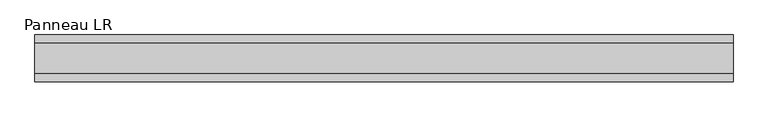
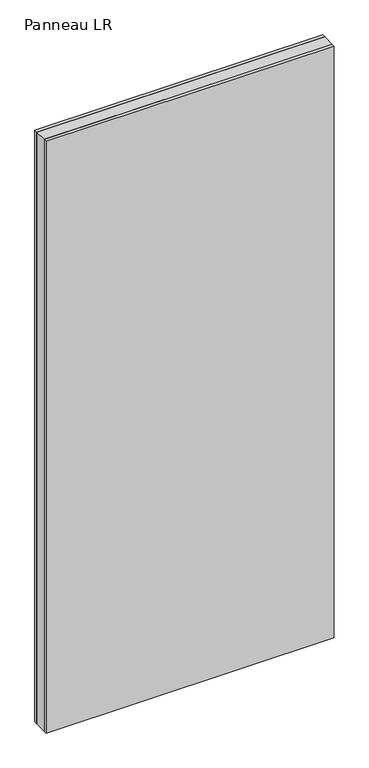
"""IFC4 building model written with IfcOpenShell, lengths in millimetres: plate geometry, Panneau LR."""

import ifcopenshell
import ifcopenshell.guid

model = None  # the IFC model being written
_history = None  # IfcOwnerHistory: only IFC2X3 demands one
_inside = {}  # id of a spatial element -> (the spatial element, [elements in it])
_under = {}  # id of a project, library or spatial element -> (it, [spatial elements below it])
_declared = {}  # id of a project -> (the project, [libraries it declares])
_typed = {}  # id of a type object -> (the type object, [elements of that type])
_made_of = {}  # id of a material, layer set ... -> (it, [elements and type objects made of it])


def new_model(schema):
    """Start an empty IFC model of exactly this schema.

    Asked for "IFC4X3", IfcOpenShell would pick the latest addendum, in which some entities
    have other attributes; the version numbers below select the first issue.
    IFC2X3 requires an IfcOwnerHistory on every rooted entity: one is made here for all.
    """
    global model, _history
    if schema == "IFC4X3":
        model = ifcopenshell.file(schema_version=(4, 3, 0, 0))
    else:
        model = ifcopenshell.file(schema=schema)
    _inside.clear()
    _under.clear()
    _declared.clear()
    _typed.clear()
    _made_of.clear()
    _history = None
    if model.schema == "IFC2X3":
        org = make("IfcOrganization", Name="unknown")
        user = make(
            "IfcPersonAndOrganization",
            ThePerson=make("IfcPerson", FamilyName="unknown"),
            TheOrganization=org,
        )
        app = make(
            "IfcApplication",
            ApplicationDeveloper=org,
            Version="unknown",
            ApplicationFullName="unknown",
            ApplicationIdentifier="unknown",
        )
        _history = make(
            "IfcOwnerHistory",
            OwningUser=user,
            OwningApplication=app,
            ChangeAction="ADDED",
            CreationDate=0,
        )
    return model


def make(cls, **values):
    """One entity of the class cls with the attributes given. An attribute that is None is left unset."""
    return model.create_entity(
        cls, **{name: value for name, value in values.items() if value is not None}
    )


def rooted(cls, **values):
    """An entity with a GlobalId (a new one), such as an element, a storey or a relation."""
    return make(cls, GlobalId=ifcopenshell.guid.new(), OwnerHistory=_history, **values)


def si_unit(unit_type, name, prefix=None):
    """IfcSIUnit, for example si_unit("LENGTHUNIT", "METRE", prefix="MILLI")."""
    return make("IfcSIUnit", UnitType=unit_type, Prefix=prefix, Name=name)


def assignment(units):
    """IfcUnitAssignment: the units of a project."""
    return None if units is None else make("IfcUnitAssignment", Units=units)


def point(xyz):
    """IfcCartesianPoint."""
    return None if xyz is None else make("IfcCartesianPoint", Coordinates=xyz)


def direction(xyz):
    """IfcDirection."""
    return None if xyz is None else make("IfcDirection", DirectionRatios=xyz)


def frame(location, z_axis=None, x_axis=None):
    """IfcAxis2Placement3D, a coordinate frame: its origin and axes. An axis left out is left unset."""
    return make(
        "IfcAxis2Placement3D",
        Location=point(location),
        Axis=direction(z_axis),
        RefDirection=direction(x_axis),
    )


def origin():
    """The frame at (0, 0, 0) with its axes left unset."""
    return frame((0.0, 0.0, 0.0))


def origin_with_axes():
    """The frame at (0, 0, 0) with the z axis (0, 0, 1) and the x axis (1, 0, 0) written out."""
    return frame((0.0, 0.0, 0.0), z_axis=(0.0, 0.0, 1.0), x_axis=(1.0, 0.0, 0.0))


def place(relative_to, where):
    """IfcLocalPlacement: puts the frame where relative to a parent placement (None: the world)."""
    return make(
        "IfcLocalPlacement", PlacementRelTo=relative_to, RelativePlacement=where
    )


def context(
    kind, dimensions, precision=None, world=None, true_north=None, identifier=None
):
    """IfcGeometricRepresentationContext, for example the 3D "Model" context."""
    return make(
        "IfcGeometricRepresentationContext",
        ContextIdentifier=identifier,
        ContextType=kind,
        CoordinateSpaceDimension=dimensions,
        Precision=precision,
        WorldCoordinateSystem=world,
        TrueNorth=true_north,
    )


def project(units=None, contexts=None):
    """IfcProject with its units and contexts."""
    return rooted(
        "IfcProject",
        Name="project",
        RepresentationContexts=contexts,
        UnitsInContext=assignment(units),
    )


def spatial(cls, under=None, at=None, **own):
    """A site, building, storey or space (cls), placed at a placement, below another one or the project."""
    s = rooted(cls, ObjectPlacement=at, **own)
    if under is not None:
        _under.setdefault(under.id(), (under, []))[1].append(s)
    return s


def polyline(points):
    """IfcPolyline through the points."""
    return make("IfcPolyline", Points=[point(p) for p in points])


def outline(outer, holes=None, kind="AREA"):
    """IfcArbitraryClosedProfileDef: a profile drawn as a closed curve; with holes, ...WithVoids."""
    if holes is None:
        return make("IfcArbitraryClosedProfileDef", ProfileType=kind, OuterCurve=outer)
    return make(
        "IfcArbitraryProfileDefWithVoids",
        ProfileType=kind,
        OuterCurve=outer,
        InnerCurves=holes,
    )


def extrude(swept, where, along, depth):
    """IfcExtrudedAreaSolid: the profile swept, set in the frame where, extruded along a direction by depth."""
    return make(
        "IfcExtrudedAreaSolid",
        SweptArea=swept,
        Position=where,
        ExtrudedDirection=direction(along),
        Depth=depth,
    )


def shape(context_of_items, identifier, shape_type, items):
    """IfcShapeRepresentation: the items that make up one representation, for example the "Body"."""
    return make(
        "IfcShapeRepresentation",
        ContextOfItems=context_of_items,
        RepresentationIdentifier=identifier,
        RepresentationType=shape_type,
        Items=items,
    )


def source(mapping_origin, context_of_items, identifier, shape_type, items):
    """IfcRepresentationMap: a shape defined once, which mapped items show again and again."""
    return make(
        "IfcRepresentationMap",
        MappingOrigin=mapping_origin,
        MappedRepresentation=shape(context_of_items, identifier, shape_type, items),
    )


def transform(
    local_origin,
    x_axis=None,
    y_axis=None,
    z_axis=None,
    scale=None,
    scale2=None,
    scale3=None,
    uniform=True,
):
    """IfcCartesianTransformationOperator3D, or its non-uniform kind. x_axis, y_axis, z_axis: its Axis1, 2, 3."""
    if uniform:
        return make(
            "IfcCartesianTransformationOperator3D",
            Axis1=direction(x_axis),
            Axis2=direction(y_axis),
            LocalOrigin=point(local_origin),
            Scale=scale,
            Axis3=direction(z_axis),
        )
    return make(
        "IfcCartesianTransformationOperator3DnonUniform",
        Axis1=direction(x_axis),
        Axis2=direction(y_axis),
        LocalOrigin=point(local_origin),
        Scale=scale,
        Axis3=direction(z_axis),
        Scale2=scale2,
        Scale3=scale3,
    )


def mapped(mapping_source, mapping_target):
    """IfcMappedItem: shows the shape of a source again, moved by a transform."""
    return make(
        "IfcMappedItem", MappingSource=mapping_source, MappingTarget=mapping_target
    )


def made_of(thing, what):
    """Note that an element or type object is made of a material, layer set ...; save() writes the relation."""
    if what is not None:
        _made_of.setdefault(what.id(), (what, []))[1].append(thing)
    return thing


def element(
    cls,
    number,
    at=None,
    inside=None,
    cuts=None,
    type_object=None,
    material=None,
    context=None,
    identifier="Body",
    shape_type=None,
    held_by="IfcProductDefinitionShape",
    body=None,
    shapes=None,
    **own,
):
    """One element of the class cls, such as IfcWall. Its Tag is "e" and its number.

    at: its placement. inside: the storey or other place that contains it. cuts: it is an
    opening in that element (IfcRelVoidsElement). A single representation is given by context,
    identifier, shape_type and body (its items); several are given by shapes. held_by: the class
    of the entity that holds the representations. save() writes the other relations.
    """
    e = rooted(cls, Tag="e%d" % number, ObjectPlacement=at, **own)
    if body is not None:
        shapes = [shape(context, identifier, shape_type, body)]
    if shapes is not None:
        e.Representation = make(held_by, Representations=shapes)
    if inside is not None:
        _inside.setdefault(inside.id(), (inside, []))[1].append(e)
    if cuts is not None:
        rooted(
            "IfcRelVoidsElement", RelatingBuildingElement=cuts, RelatedOpeningElement=e
        )
    if type_object is not None:
        _typed.setdefault(type_object.id(), (type_object, []))[1].append(e)
    return made_of(e, material)


def aggregate(whole, parts):
    """IfcRelAggregates: a whole, such as a stair, and the parts it consists of."""
    return rooted("IfcRelAggregates", RelatingObject=whole, RelatedObjects=parts)


def save(model, path):
    """Write the relations noted so far, then the file.

    IfcRelAggregates (storeys below a building ...), IfcRelContainedInSpatialStructure (elements
    in a storey), IfcRelDefinesByType, IfcRelAssociatesMaterial and IfcRelDeclares: one each for
    every whole, place, type object, material and project.
    """
    for whole, parts in _under.values():
        aggregate(whole, parts)
    for where, things in _inside.values():
        rooted(
            "IfcRelContainedInSpatialStructure",
            RelatedElements=things,
            RelatingStructure=where,
        )
    for kind, things in _typed.values():
        rooted("IfcRelDefinesByType", RelatedObjects=things, RelatingType=kind)
    for what, things in _made_of.values():
        rooted("IfcRelAssociatesMaterial", RelatedObjects=things, RelatingMaterial=what)
    for by, libraries in _declared.values():
        rooted("IfcRelDeclares", RelatingContext=by, RelatedDefinitions=libraries)
    model.write(path)


def panneau_lr_52d534bd(model_context):
    return source(origin(), model_context, "Body", "SweptSolid", [
        extrude(outline(polyline([(670.6250001, 29.0), (670.6250001, -29.0), (-670.6250001, -29.0), (-670.6250001, 29.0), (670.6250001, 29.0)])), origin_with_axes(), (0.0, 0.0, 1.0), 2910.0),
        extrude(outline(polyline([(670.6250001, 45.0), (670.6250001, 29.0), (-670.6250001, 29.0), (-670.6250001, 45.0), (670.6250001, 45.0)])), origin_with_axes(), (0.0, 0.0, 1.0), 2910.0),
        extrude(outline(polyline([(-670.6250001, -45.0), (-670.6250001, -29.0), (670.6250001, -29.0), (670.6250001, -45.0), (-670.6250001, -45.0)])), origin_with_axes(), (0.0, 0.0, 1.0), 2910.0),
    ])


if __name__ == "__main__":
    model = new_model("IFC4")
    model_context = context("Model", 3, world=origin())
    ifc_project = project(units=[si_unit("LENGTHUNIT", "METRE", prefix="MILLI")], contexts=[model_context])
    site = spatial("IfcSite", under=ifc_project)
    building = spatial("IfcBuilding", under=site)
    placement = place(None, origin())
    panneau_lr_shape = panneau_lr_52d534bd(model_context)
    element("IfcPlate", 1, ObjectType="Panneau LR", at=placement, inside=building, context=model_context, shape_type="MappedRepresentation", body=[
        mapped(panneau_lr_shape, transform((0.0, 0.0, 0.0), x_axis=(1.0, 0.0, 0.0), y_axis=(0.0, 1.0, 0.0), z_axis=(0.0, 0.0, 1.0))),
    ])
    save(model, "model.ifc")
